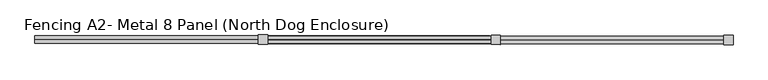
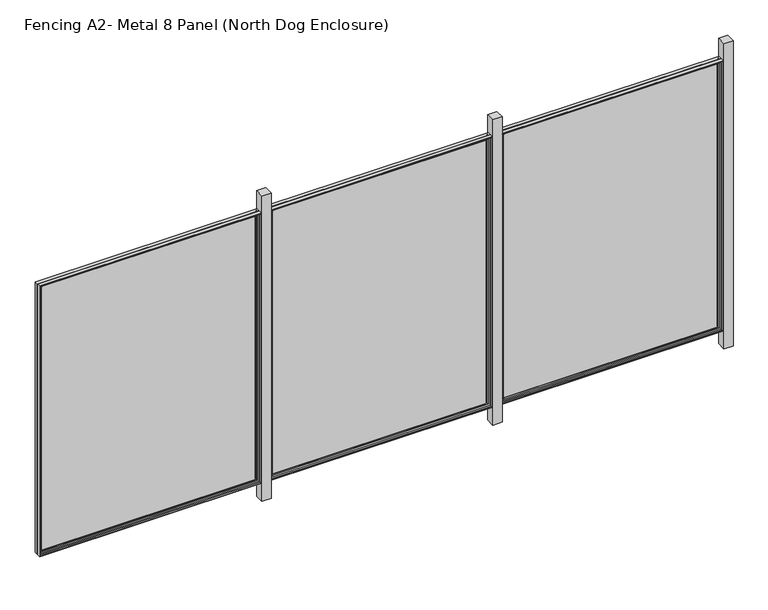
"""IFC4 building model written with IfcOpenShell, lengths in millimetres: railing geometry, Fencing A2- Metal 8 Panel (North Dog Enclosure)."""

from ifc_helpers import new_model, si_unit, frame, origin, place, context, project, spatial, polyline, ellipse_curve, outline, extrude, source, transform, mapped, element, save
from ifc_brep_helpers import plane_surface, cylinder_surface, advanced_brep


def fencing_a2_metal_8_panel_north_dog_enclosure_d438d830(model_context):
    return source(origin(), model_context, "Body", "SolidModel", [
        advanced_brep(
        [(14972.4411531, 2314.4525513, 908.05), (14975.6199197, 2317.6237803, 911.225), (14975.6199197, 2317.6237803, -657.225), (14972.4411531, 2314.4525513, -654.05), (13762.7707741, 2319.0634687, -657.225), (13765.9420031, 2315.8847021, -654.05), (13759.5957764, 2319.0672375, -660.4), (13759.5957764, 2319.0672375, 914.4), (14978.7949174, 2317.6200114, 914.4), (14978.7949174, 2317.6200114, -660.4), (13762.7707741, 2319.0634687, 911.225), (13765.9420031, 2315.8847021, 908.05), (14972.4298466, 2304.927558, -654.05), (13765.9306966, 2306.3597088, -654.05), (14972.4298466, 2304.927558, 908.05), (13765.9306966, 2306.3597088, 908.05), (14962.9048533, 2304.9388645, -644.525), (14962.9048533, 2304.9388645, 898.525), (13775.4556899, 2306.3484024, 898.525), (13775.4556899, 2306.3484024, -644.525), (14959.7260868, 2301.7676355, 895.35), (14959.7260868, 2301.7676355, -641.35), (13778.6269189, 2303.1696358, -641.35), (13778.6269189, 2303.1696358, 895.35), (14959.7223179, 2298.5926378, -641.35), (13778.62315, 2299.994638, -641.35), (14959.7223179, 2298.5926378, 895.35), (13778.62315, 2299.994638, 895.35), (14978.7723045, 2298.5700249, -660.4), (14978.7723045, 2298.5700249, 914.4), (13759.5731635, 2300.017251, 914.4), (13759.5731635, 2300.017251, -660.4)],
        [
            (0, 1, ellipse_curve(frame((14975.6161508, 2314.4487825, 911.225), z_axis=(0.7071062830160321, -0.0008393564505200861, -0.7071067811865475), x_axis=(0.707106283016032, -0.000839356450520086, 0.7071067811865476)), 4.4901281, 3.175)),
            (1, 2),
            (2, 3, ellipse_curve(frame((14975.6161508, 2314.4487825, -657.225), z_axis=(0.7071062830160321, -0.0008393564505200861, 0.7071067811865475), x_axis=(-0.707106283016032, 0.000839356450520086, 0.7071067811865476)), 4.4901281, 3.175)),
            (3, 0),
            (2, 4),
            (4, 5, ellipse_curve(frame((13762.7670053, 2315.888471, -657.225), z_axis=(0.7071062830160321, -0.0008393564505200861, -0.7071067811865475), x_axis=(0.7071062830160322, -0.0008393564505200862, 0.7071067811865474)), 4.4901281, 3.175)),
            (5, 3),
            (6, 7),
            (7, 8),
            (8, 9),
            (9, 6),
            (1, 10),
            (10, 4),
            (10, 11, ellipse_curve(frame((13762.7670053, 2315.888471, 911.225), z_axis=(-0.7071062830160321, 0.0008393564505200861, -0.7071067811865475), x_axis=(0.707106283016032, -0.000839356450520086, -0.7071067811865476)), 4.4901281, 3.175)),
            (11, 5),
            (12, 3),
            (5, 13),
            (13, 12),
            (14, 0),
            (12, 14),
            (11, 15),
            (15, 13),
            (15, 14),
            (16, 17),
            (17, 18),
            (18, 19),
            (19, 16),
            (20, 17, ellipse_curve(frame((14962.9010845, 2301.7638667, 898.525), z_axis=(0.7071062830160321, -0.0008393564505200861, -0.7071067811865475), x_axis=(0.707106283016032, -0.000839356450520086, 0.7071067811865476)), 4.4901281, 3.175)),
            (16, 21, ellipse_curve(frame((14962.9010845, 2301.7638667, -644.525), z_axis=(0.7071062830160321, -0.0008393564505200861, 0.7071067811865475), x_axis=(-0.707106283016032, 0.000839356450520086, 0.7071067811865476)), 4.4901281, 3.175)),
            (21, 20),
            (19, 22, ellipse_curve(frame((13775.4519211, 2303.1734046, -644.525), z_axis=(0.7071062830160321, -0.0008393564505200861, -0.7071067811865475), x_axis=(0.7071062830160322, -0.0008393564505200862, 0.7071067811865474)), 4.4901281, 3.175)),
            (22, 21),
            (18, 23, ellipse_curve(frame((13775.4519211, 2303.1734046, 898.525), z_axis=(-0.7071062830160321, 0.0008393564505200861, -0.7071067811865475), x_axis=(0.707106283016032, -0.000839356450520086, -0.7071067811865476)), 4.4901281, 3.175)),
            (23, 22),
            (24, 21),
            (22, 25),
            (25, 24),
            (26, 20),
            (24, 26),
            (23, 27),
            (27, 25),
            (28, 29),
            (29, 30),
            (30, 31),
            (31, 28),
            (27, 26),
            (8, 29),
            (28, 9),
            (31, 6),
            (30, 7),
            (0, 11),
            (20, 23),
        ],
        [
            cylinder_surface(frame((14975.6161508, 2314.4487825, 914.4), z_axis=(0.0, 0.0, 1.0), x_axis=(0.9999992954805008, -0.0011870292759914025, 0.0)), 3.175),
            cylinder_surface(frame((14978.7911486, 2314.4450137, -657.225), z_axis=(0.9999992954805008, -0.0011870292759908474, 0.0), x_axis=(0.0, 0.0, -1.0)), 3.175),
            plane_surface(frame((14978.7949174, 2317.6200114, 914.4), z_axis=(0.0011870292759914025, 0.9999992954805008, 0.0), x_axis=(0.0, 0.0, -1.0))),
            cylinder_surface(frame((13762.7670053, 2315.888471, -660.4), z_axis=(0.0, 0.0, -1.0), x_axis=(-0.9999992954805008, 0.0011870292759902923, 0.0)), 3.175),
            plane_surface(frame((14972.4411531, 2314.4525513, -654.05), z_axis=(0.0, 0.0, 1.0), x_axis=(-0.9999992954805008, 0.0011870292759908522, 0.0))),
            plane_surface(frame((14972.4411531, 2314.4525513, 908.05), z_axis=(-0.9999992954805008, 0.0011870292759914025, 0.0), x_axis=(0.0, 0.0, -1.0))),
            plane_surface(frame((13765.9420031, 2315.8847021, -654.05), z_axis=(0.9999992954805008, -0.0011870292759902923, 0.0), x_axis=(0.0, 0.0, 1.0))),
            plane_surface(frame((14972.4298466, 2304.927558, 908.05), z_axis=(0.0011870292759914025, 0.9999992954805008, 0.0), x_axis=(0.0, 0.0, -1.0))),
            cylinder_surface(frame((14962.9010845, 2301.7638667, 914.4), z_axis=(0.0, 0.0, 1.0), x_axis=(0.9999992954805008, -0.0011870292759914025, 0.0)), 3.175),
            cylinder_surface(frame((14978.7760733, 2301.7450226, -644.525), z_axis=(0.9999992954805008, -0.0011870292759908474, 0.0), x_axis=(0.0, 0.0, -1.0)), 3.175),
            cylinder_surface(frame((13775.4519211, 2303.1734046, -660.4), z_axis=(0.0, 0.0, -1.0), x_axis=(-0.9999992954805008, 0.0011870292759902923, 0.0)), 3.175),
            plane_surface(frame((14959.7260868, 2301.7676355, -641.35), z_axis=(0.0, 0.0, 1.0), x_axis=(-0.9999992954805008, 0.0011870292759908546, 0.0))),
            plane_surface(frame((14959.7260868, 2301.7676355, 895.35), z_axis=(-0.9999992954805008, 0.0011870292759914025, 0.0), x_axis=(0.0, 0.0, -1.0))),
            plane_surface(frame((13778.6269189, 2303.1696358, -641.35), z_axis=(0.9999992954805008, -0.0011870292759902923, 0.0), x_axis=(0.0, 0.0, 1.0))),
            plane_surface(frame((14959.7223179, 2298.5926378, 895.35), z_axis=(-0.0011870292759914025, -0.9999992954805008, 0.0), x_axis=(0.0, 0.0, -1.0))),
            plane_surface(frame((14978.7723045, 2298.5700249, 914.4), z_axis=(0.9999992954805008, -0.0011870292759914025, 0.0), x_axis=(0.0, 0.0, -1.0))),
            plane_surface(frame((14978.7723045, 2298.5700249, -660.4), z_axis=(0.0, 0.0, -1.0), x_axis=(-0.9999992954805008, 0.0011870292759908474, 0.0))),
            plane_surface(frame((13759.5731635, 2300.017251, -660.4), z_axis=(-0.9999992954805008, 0.0011870292759902923, 0.0), x_axis=(0.0, 0.0, 1.0))),
            cylinder_surface(frame((13759.5920076, 2315.8922398, 911.225), z_axis=(-0.9999992954805008, 0.0011870292759908474, 0.0), x_axis=(0.0, 0.0, 1.0)), 3.175),
            plane_surface(frame((13765.9420031, 2315.8847021, 908.05), z_axis=(0.0, 0.0, -1.0), x_axis=(0.9999992954805008, -0.0011870292759908485, 0.0))),
            cylinder_surface(frame((13759.5769323, 2303.1922487, 898.525), z_axis=(-0.9999992954805008, 0.0011870292759908474, 0.0), x_axis=(0.0, 0.0, 1.0)), 3.175),
            plane_surface(frame((13778.6269189, 2303.1696358, 895.35), z_axis=(0.0, 0.0, -1.0), x_axis=(0.9999992954805008, -0.0011870292759908546, 0.0))),
            plane_surface(frame((13759.5731635, 2300.017251, 914.4), z_axis=(0.0, 0.0, 1.0), x_axis=(0.9999992954805008, -0.0011870292759908474, 0.0))),
        ],
        [
            (0, [[1, 2, 3, 4]]),
            (1, [[-3, 5, 6, 7]]),
            (2, [[8, 9, 10, 11], [-2, 12, 13, -5]]),
            (3, [[-6, -13, 14, 15]]),
            (4, [[16, -7, 17, 18]]),
            (5, [[19, -4, -16, 20]]),
            (6, [[-17, -15, 21, 22]]),
            (7, [[-22, 23, -20, -18], [24, 25, 26, 27]]),
            (8, [[28, -24, 29, 30]]),
            (9, [[-29, -27, 31, 32]]),
            (10, [[-31, -26, 33, 34]]),
            (11, [[35, -32, 36, 37]]),
            (12, [[38, -30, -35, 39]]),
            (13, [[-36, -34, 40, 41]]),
            (14, [[42, 43, 44, 45], [-41, 46, -39, -37]]),
            (15, [[47, -42, 48, -10]]),
            (16, [[-48, -45, 49, -11]]),
            (17, [[-49, -44, 50, -8]]),
            (18, [[-14, -12, -1, 51]]),
            (19, [[-21, -51, -19, -23]]),
            (20, [[-33, -25, -28, 52]]),
            (21, [[-40, -52, -38, -46]]),
            (22, [[-50, -43, -47, -9]]),
        ],
    ),
        advanced_brep(
        [(14978.7685357, 2295.3950271, 914.4), (14978.7459228, 2276.3450405, 914.4), (14978.7459228, 2276.3450405, -660.4), (14978.7685357, 2295.3950271, -660.4), (13759.5467817, 2277.7922666, -660.4), (13759.5693946, 2296.8422532, -660.4), (13759.5467817, 2277.7922666, 914.4), (13762.7217795, 2277.7884978, -657.225), (13762.7217795, 2277.7884978, 911.225), (14975.570925, 2276.3488093, 911.225), (14975.570925, 2276.3488093, -657.225), (13759.5693946, 2296.8422532, 914.4), (14959.7185491, 2295.41764, -641.35), (14959.7185491, 2295.41764, 895.35), (13778.6193812, 2296.8196403, 895.35), (13778.6193812, 2296.8196403, -641.35), (14959.7147803, 2292.2426422, 895.35), (14959.7147803, 2292.2426422, -641.35), (13778.6156124, 2293.6446425, -641.35), (13778.6156124, 2293.6446425, 895.35), (14962.8860092, 2289.0638757, -644.525), (13775.4368458, 2290.4734136, -644.525), (14962.8860092, 2289.0638757, 898.525), (13775.4368458, 2290.4734136, 898.525), (14972.4110025, 2289.0525692, -654.05), (14972.4110025, 2289.0525692, 908.05), (13765.9118525, 2290.48472, 908.05), (13765.9118525, 2290.48472, -654.05), (14972.3996961, 2279.5275759, 908.05), (14972.3996961, 2279.5275759, -654.05), (13765.9005461, 2280.9597267, -654.05), (13765.9005461, 2280.9597267, 908.05)],
        [
            (0, 1),
            (1, 2),
            (2, 3),
            (3, 0),
            (2, 4),
            (4, 5),
            (5, 3),
            (1, 6),
            (6, 4),
            (7, 8),
            (8, 9),
            (9, 10),
            (10, 7),
            (6, 11),
            (11, 5),
            (11, 0),
            (12, 13),
            (13, 14),
            (14, 15),
            (15, 12),
            (16, 13),
            (12, 17),
            (17, 16),
            (15, 18),
            (18, 17),
            (14, 19),
            (19, 18),
            (20, 17, ellipse_curve(frame((14962.8897781, 2292.2388734, -644.525), z_axis=(-0.7071062830160321, 0.0008393564505200861, -0.7071067811865475), x_axis=(0.7071062830160322, -0.0008393564505200862, -0.7071067811865474)), 4.4901281, 3.175)),
            (18, 21, ellipse_curve(frame((13775.4406146, 2293.6484113, -644.525), z_axis=(0.7071062830160321, -0.0008393564505200861, -0.7071067811865475), x_axis=(0.7071062830160322, -0.0008393564505200862, 0.7071067811865474)), 4.4901281, 3.175)),
            (21, 20),
            (22, 16, ellipse_curve(frame((14962.8897781, 2292.2388734, 898.525), z_axis=(0.7071062830160321, -0.0008393564505200861, -0.7071067811865475), x_axis=(0.707106283016032, -0.000839356450520086, 0.7071067811865476)), 4.4901281, 3.175)),
            (20, 22),
            (19, 23, ellipse_curve(frame((13775.4406146, 2293.6484113, 898.525), z_axis=(-0.7071062830160321, 0.0008393564505200861, -0.7071067811865475), x_axis=(0.707106283016032, -0.000839356450520086, -0.7071067811865476)), 4.4901281, 3.175)),
            (23, 21),
            (24, 25),
            (25, 26),
            (26, 27),
            (27, 24),
            (23, 22),
            (28, 25),
            (24, 29),
            (29, 28),
            (27, 30),
            (30, 29),
            (26, 31),
            (31, 30),
            (10, 29, ellipse_curve(frame((14975.5746938, 2279.5238071, -657.225), z_axis=(-0.7071062830160321, 0.0008393564505200861, -0.7071067811865475), x_axis=(0.7071062830160322, -0.0008393564505200862, -0.7071067811865474)), 4.4901281, 3.175)),
            (30, 7, ellipse_curve(frame((13762.7255483, 2280.9634956, -657.225), z_axis=(0.7071062830160321, -0.0008393564505200861, -0.7071067811865475), x_axis=(0.7071062830160322, -0.0008393564505200862, 0.7071067811865474)), 4.4901281, 3.175)),
            (9, 28, ellipse_curve(frame((14975.5746938, 2279.5238071, 911.225), z_axis=(0.7071062830160321, -0.0008393564505200861, -0.7071067811865475), x_axis=(0.707106283016032, -0.000839356450520086, 0.7071067811865476)), 4.4901281, 3.175)),
            (31, 8, ellipse_curve(frame((13762.7255483, 2280.9634956, 911.225), z_axis=(-0.7071062830160321, 0.0008393564505200861, -0.7071067811865475), x_axis=(0.707106283016032, -0.000839356450520086, -0.7071067811865476)), 4.4901281, 3.175)),
            (16, 19),
            (28, 31),
        ],
        [
            plane_surface(frame((14978.7459228, 2276.3450405, 914.4), z_axis=(0.9999992954805008, -0.0011870292759914025, 0.0), x_axis=(0.0, 0.0, -1.0))),
            plane_surface(frame((14978.7459228, 2276.3450405, -660.4), z_axis=(0.0, 0.0, -1.0), x_axis=(-0.9999992954805008, 0.0011870292759908474, 0.0))),
            plane_surface(frame((14975.570925, 2276.3488093, 911.225), z_axis=(-0.0011870292759914025, -0.9999992954805008, 0.0), x_axis=(0.0, 0.0, -1.0))),
            plane_surface(frame((13759.5467817, 2277.7922666, -660.4), z_axis=(-0.9999992954805008, 0.0011870292759902923, 0.0), x_axis=(0.0, 0.0, 1.0))),
            plane_surface(frame((14978.7685357, 2295.3950271, 914.4), z_axis=(0.0011870292759914025, 0.9999992954805008, 0.0), x_axis=(0.0, 0.0, -1.0))),
            plane_surface(frame((14959.7185491, 2295.41764, 895.35), z_axis=(-0.9999992954805008, 0.0011870292759914025, 0.0), x_axis=(0.0, 0.0, -1.0))),
            plane_surface(frame((14959.7185491, 2295.41764, -641.35), z_axis=(0.0, 0.0, 1.0), x_axis=(-0.9999992954805008, 0.0011870292759908546, 0.0))),
            plane_surface(frame((13778.6193812, 2296.8196403, -641.35), z_axis=(0.9999992954805008, -0.0011870292759902923, 0.0), x_axis=(0.0, 0.0, 1.0))),
            cylinder_surface(frame((14978.7647669, 2292.2200293, -644.525), z_axis=(0.9999992954805008, -0.0011870292759908474, 0.0), x_axis=(0.0, 0.0, -1.0)), 3.175),
            cylinder_surface(frame((14962.8897781, 2292.2388734, 914.4), z_axis=(0.0, 0.0, 1.0), x_axis=(0.9999992954805008, -0.0011870292759914025, 0.0)), 3.175),
            cylinder_surface(frame((13775.4406146, 2293.6484113, -660.4), z_axis=(0.0, 0.0, -1.0), x_axis=(-0.9999992954805008, 0.0011870292759902923, 0.0)), 3.175),
            plane_surface(frame((14962.8860092, 2289.0638757, 898.525), z_axis=(-0.0011870292759914025, -0.9999992954805008, 0.0), x_axis=(0.0, 0.0, -1.0))),
            plane_surface(frame((14972.4110025, 2289.0525692, 908.05), z_axis=(-0.9999992954805008, 0.0011870292759914025, 0.0), x_axis=(0.0, 0.0, -1.0))),
            plane_surface(frame((14972.4110025, 2289.0525692, -654.05), z_axis=(0.0, 0.0, 1.0), x_axis=(-0.9999992954805008, 0.0011870292759908485, 0.0))),
            plane_surface(frame((13765.9118525, 2290.48472, -654.05), z_axis=(0.9999992954805008, -0.0011870292759902923, 0.0), x_axis=(0.0, 0.0, 1.0))),
            cylinder_surface(frame((14978.7496916, 2279.5200383, -657.225), z_axis=(0.9999992954805008, -0.0011870292759908474, 0.0), x_axis=(0.0, 0.0, -1.0)), 3.175),
            cylinder_surface(frame((14975.5746938, 2279.5238071, 914.4), z_axis=(0.0, 0.0, 1.0), x_axis=(0.9999992954805008, -0.0011870292759914025, 0.0)), 3.175),
            cylinder_surface(frame((13762.7255483, 2280.9634956, -660.4), z_axis=(0.0, 0.0, -1.0), x_axis=(-0.9999992954805008, 0.0011870292759902923, 0.0)), 3.175),
            plane_surface(frame((13759.5467817, 2277.7922666, 914.4), z_axis=(0.0, 0.0, 1.0), x_axis=(0.9999992954805008, -0.0011870292759908474, 0.0))),
            plane_surface(frame((13778.6193812, 2296.8196403, 895.35), z_axis=(0.0, 0.0, -1.0), x_axis=(0.9999992954805008, -0.0011870292759908546, 0.0))),
            cylinder_surface(frame((13759.5656258, 2293.6672554, 898.525), z_axis=(-0.9999992954805008, 0.0011870292759908474, 0.0), x_axis=(0.0, 0.0, 1.0)), 3.175),
            plane_surface(frame((13765.9118525, 2290.48472, 908.05), z_axis=(0.0, 0.0, -1.0), x_axis=(0.9999992954805008, -0.0011870292759908485, 0.0))),
            cylinder_surface(frame((13759.5505506, 2280.9672644, 911.225), z_axis=(-0.9999992954805008, 0.0011870292759908474, 0.0), x_axis=(0.0, 0.0, 1.0)), 3.175),
        ],
        [
            (0, [[1, 2, 3, 4]]),
            (1, [[-3, 5, 6, 7]]),
            (2, [[-2, 8, 9, -5], [10, 11, 12, 13]]),
            (3, [[-6, -9, 14, 15]]),
            (4, [[-15, 16, -4, -7], [17, 18, 19, 20]]),
            (5, [[21, -17, 22, 23]]),
            (6, [[-22, -20, 24, 25]]),
            (7, [[-24, -19, 26, 27]]),
            (8, [[28, -25, 29, 30]]),
            (9, [[31, -23, -28, 32]]),
            (10, [[-29, -27, 33, 34]]),
            (11, [[35, 36, 37, 38], [-34, 39, -32, -30]]),
            (12, [[40, -35, 41, 42]]),
            (13, [[-41, -38, 43, 44]]),
            (14, [[-43, -37, 45, 46]]),
            (15, [[47, -44, 48, -13]]),
            (16, [[49, -42, -47, -12]]),
            (17, [[-48, -46, 50, -10]]),
            (18, [[-14, -8, -1, -16]]),
            (19, [[-26, -18, -21, 51]]),
            (20, [[-33, -51, -31, -39]]),
            (21, [[-45, -36, -40, 52]]),
            (22, [[-50, -52, -49, -11]]),
        ],
    ),
        extrude(outline(polyline([(14978.7685357, 2295.3950271), (13759.5693946, 2296.8422532), (13759.5731635, 2300.017251), (14978.7723045, 2298.5700249), (14978.7685357, 2295.3950271)])), frame((0.0, 0.0, -660.4), z_axis=(0.0, 0.0, 1.0), x_axis=(1.0, 0.0, 0.0)), (0.0, 0.0, 1.0), 1574.8),
        extrude(outline(polyline([(15029.6005349, 2322.322207), (15029.5402338, 2271.5222428), (14978.7402696, 2271.5825439), (14978.8005706, 2322.3825081), (15029.6005349, 2322.322207)])), frame((0.0, 0.0, -762.0), z_axis=(0.0, 0.0, 1.0), x_axis=(1.0, 0.0, 0.0)), (0.0, 0.0, 1.0), 1778.0),
        advanced_brep(
        [(16242.4402583, 2312.9450241, 908.05), (16245.6190249, 2316.1162531, 911.225), (16245.6190249, 2316.1162531, -657.225), (16242.4402583, 2312.9450241, -654.05), (15032.7698794, 2317.5559415, -657.225), (15035.9411083, 2314.377175, -654.05), (15029.5948816, 2317.5597104, -660.4), (15029.5948816, 2317.5597104, 914.4), (16248.7940227, 2316.1124843, 914.4), (16248.7940227, 2316.1124843, -660.4), (15032.7698794, 2317.5559415, 911.225), (15035.9411083, 2314.377175, 908.05), (16242.4289519, 2303.4200308, -654.05), (15035.9298019, 2304.8521817, -654.05), (16242.4289519, 2303.4200308, 908.05), (15035.9298019, 2304.8521817, 908.05), (16232.9039586, 2303.4313373, -644.525), (16232.9039586, 2303.4313373, 898.525), (15045.4547952, 2304.8408752, 898.525), (15045.4547952, 2304.8408752, -644.525), (16229.725192, 2300.2601084, 895.35), (16229.725192, 2300.2601084, -641.35), (15048.6260241, 2301.6621086, -641.35), (15048.6260241, 2301.6621086, 895.35), (16229.7214232, 2297.0851106, -641.35), (15048.6222553, 2298.4871109, -641.35), (16229.7214232, 2297.0851106, 895.35), (15048.6222553, 2298.4871109, 895.35), (16248.7714098, 2297.0624977, -660.4), (16248.7714098, 2297.0624977, 914.4), (15029.5722687, 2298.5097238, 914.4), (15029.5722687, 2298.5097238, -660.4)],
        [
            (0, 1, ellipse_curve(frame((16245.6152561, 2312.9412553, 911.225), z_axis=(0.7071062830160321, -0.0008393564505200861, -0.7071067811865475), x_axis=(0.707106283016032, -0.000839356450520086, 0.7071067811865476)), 4.4901281, 3.175)),
            (1, 2),
            (2, 3, ellipse_curve(frame((16245.6152561, 2312.9412553, -657.225), z_axis=(0.7071062830160321, -0.0008393564505200861, 0.7071067811865475), x_axis=(-0.707106283016032, 0.000839356450520086, 0.7071067811865476)), 4.4901281, 3.175)),
            (3, 0),
            (2, 4),
            (4, 5, ellipse_curve(frame((15032.7661106, 2314.3809438, -657.225), z_axis=(0.7071062830160321, -0.0008393564505200861, -0.7071067811865475), x_axis=(0.7071062830160322, -0.0008393564505200862, 0.7071067811865474)), 4.4901281, 3.175)),
            (5, 3),
            (6, 7),
            (7, 8),
            (8, 9),
            (9, 6),
            (1, 10),
            (10, 4),
            (10, 11, ellipse_curve(frame((15032.7661106, 2314.3809438, 911.225), z_axis=(-0.7071062830160321, 0.0008393564505200861, -0.7071067811865475), x_axis=(0.707106283016032, -0.000839356450520086, -0.7071067811865476)), 4.4901281, 3.175)),
            (11, 5),
            (12, 3),
            (5, 13),
            (13, 12),
            (14, 0),
            (12, 14),
            (11, 15),
            (15, 13),
            (15, 14),
            (16, 17),
            (17, 18),
            (18, 19),
            (19, 16),
            (20, 17, ellipse_curve(frame((16232.9001898, 2300.2563395, 898.525), z_axis=(0.7071062830160321, -0.0008393564505200861, -0.7071067811865475), x_axis=(0.707106283016032, -0.000839356450520086, 0.7071067811865476)), 4.4901281, 3.175)),
            (16, 21, ellipse_curve(frame((16232.9001898, 2300.2563395, -644.525), z_axis=(0.7071062830160321, -0.0008393564505200861, 0.7071067811865475), x_axis=(-0.707106283016032, 0.000839356450520086, 0.7071067811865476)), 4.4901281, 3.175)),
            (21, 20),
            (19, 22, ellipse_curve(frame((15045.4510264, 2301.6658774, -644.525), z_axis=(0.7071062830160321, -0.0008393564505200861, -0.7071067811865475), x_axis=(0.7071062830160322, -0.0008393564505200862, 0.7071067811865474)), 4.4901281, 3.175)),
            (22, 21),
            (18, 23, ellipse_curve(frame((15045.4510264, 2301.6658774, 898.525), z_axis=(-0.7071062830160321, 0.0008393564505200861, -0.7071067811865475), x_axis=(0.707106283016032, -0.000839356450520086, -0.7071067811865476)), 4.4901281, 3.175)),
            (23, 22),
            (24, 21),
            (22, 25),
            (25, 24),
            (26, 20),
            (24, 26),
            (23, 27),
            (27, 25),
            (28, 29),
            (29, 30),
            (30, 31),
            (31, 28),
            (27, 26),
            (8, 29),
            (28, 9),
            (31, 6),
            (30, 7),
            (0, 11),
            (20, 23),
        ],
        [
            cylinder_surface(frame((16245.6152561, 2312.9412553, 914.4), z_axis=(0.0, 0.0, 1.0), x_axis=(0.9999992954805008, -0.0011870292759914025, 0.0)), 3.175),
            cylinder_surface(frame((16248.7902539, 2312.9374865, -657.225), z_axis=(0.9999992954805008, -0.0011870292759908474, 0.0), x_axis=(0.0, 0.0, -1.0)), 3.175),
            plane_surface(frame((16248.7940227, 2316.1124843, 914.4), z_axis=(0.0011870292759914025, 0.9999992954805008, 0.0), x_axis=(0.0, 0.0, -1.0))),
            cylinder_surface(frame((15032.7661106, 2314.3809438, -660.4), z_axis=(0.0, 0.0, -1.0), x_axis=(-0.9999992954805008, 0.0011870292759902923, 0.0)), 3.175),
            plane_surface(frame((16242.4402583, 2312.9450241, -654.05), z_axis=(0.0, 0.0, 1.0), x_axis=(-0.9999992954805008, 0.0011870292759908522, 0.0))),
            plane_surface(frame((16242.4402583, 2312.9450241, 908.05), z_axis=(-0.9999992954805008, 0.0011870292759914025, 0.0), x_axis=(0.0, 0.0, -1.0))),
            plane_surface(frame((15035.9411083, 2314.377175, -654.05), z_axis=(0.9999992954805008, -0.0011870292759902923, 0.0), x_axis=(0.0, 0.0, 1.0))),
            plane_surface(frame((16242.4289519, 2303.4200308, 908.05), z_axis=(0.0011870292759914025, 0.9999992954805008, 0.0), x_axis=(0.0, 0.0, -1.0))),
            cylinder_surface(frame((16232.9001898, 2300.2563395, 914.4), z_axis=(0.0, 0.0, 1.0), x_axis=(0.9999992954805008, -0.0011870292759914025, 0.0)), 3.175),
            cylinder_surface(frame((16248.7751786, 2300.2374954, -644.525), z_axis=(0.9999992954805008, -0.0011870292759908474, 0.0), x_axis=(0.0, 0.0, -1.0)), 3.175),
            cylinder_surface(frame((15045.4510264, 2301.6658774, -660.4), z_axis=(0.0, 0.0, -1.0), x_axis=(-0.9999992954805008, 0.0011870292759902923, 0.0)), 3.175),
            plane_surface(frame((16229.725192, 2300.2601084, -641.35), z_axis=(0.0, 0.0, 1.0), x_axis=(-0.9999992954805008, 0.0011870292759908546, 0.0))),
            plane_surface(frame((16229.725192, 2300.2601084, 895.35), z_axis=(-0.9999992954805008, 0.0011870292759914025, 0.0), x_axis=(0.0, 0.0, -1.0))),
            plane_surface(frame((15048.6260241, 2301.6621086, -641.35), z_axis=(0.9999992954805008, -0.0011870292759902923, 0.0), x_axis=(0.0, 0.0, 1.0))),
            plane_surface(frame((16229.7214232, 2297.0851106, 895.35), z_axis=(-0.0011870292759914025, -0.9999992954805008, 0.0), x_axis=(0.0, 0.0, -1.0))),
            plane_surface(frame((16248.7714098, 2297.0624977, 914.4), z_axis=(0.9999992954805008, -0.0011870292759914025, 0.0), x_axis=(0.0, 0.0, -1.0))),
            plane_surface(frame((16248.7714098, 2297.0624977, -660.4), z_axis=(0.0, 0.0, -1.0), x_axis=(-0.9999992954805008, 0.0011870292759908474, 0.0))),
            plane_surface(frame((15029.5722687, 2298.5097238, -660.4), z_axis=(-0.9999992954805008, 0.0011870292759902923, 0.0), x_axis=(0.0, 0.0, 1.0))),
            cylinder_surface(frame((15029.5911128, 2314.3847126, 911.225), z_axis=(-0.9999992954805008, 0.0011870292759908474, 0.0), x_axis=(0.0, 0.0, 1.0)), 3.175),
            plane_surface(frame((15035.9411083, 2314.377175, 908.05), z_axis=(0.0, 0.0, -1.0), x_axis=(0.9999992954805008, -0.0011870292759908485, 0.0))),
            cylinder_surface(frame((15029.5760375, 2301.6847215, 898.525), z_axis=(-0.9999992954805008, 0.0011870292759908474, 0.0), x_axis=(0.0, 0.0, 1.0)), 3.175),
            plane_surface(frame((15048.6260241, 2301.6621086, 895.35), z_axis=(0.0, 0.0, -1.0), x_axis=(0.9999992954805008, -0.0011870292759908546, 0.0))),
            plane_surface(frame((15029.5722687, 2298.5097238, 914.4), z_axis=(0.0, 0.0, 1.0), x_axis=(0.9999992954805008, -0.0011870292759908474, 0.0))),
        ],
        [
            (0, [[1, 2, 3, 4]]),
            (1, [[-3, 5, 6, 7]]),
            (2, [[8, 9, 10, 11], [-2, 12, 13, -5]]),
            (3, [[-6, -13, 14, 15]]),
            (4, [[16, -7, 17, 18]]),
            (5, [[19, -4, -16, 20]]),
            (6, [[-17, -15, 21, 22]]),
            (7, [[-22, 23, -20, -18], [24, 25, 26, 27]]),
            (8, [[28, -24, 29, 30]]),
            (9, [[-29, -27, 31, 32]]),
            (10, [[-31, -26, 33, 34]]),
            (11, [[35, -32, 36, 37]]),
            (12, [[38, -30, -35, 39]]),
            (13, [[-36, -34, 40, 41]]),
            (14, [[42, 43, 44, 45], [-41, 46, -39, -37]]),
            (15, [[47, -42, 48, -10]]),
            (16, [[-48, -45, 49, -11]]),
            (17, [[-49, -44, 50, -8]]),
            (18, [[-14, -12, -1, 51]]),
            (19, [[-21, -51, -19, -23]]),
            (20, [[-33, -25, -28, 52]]),
            (21, [[-40, -52, -38, -46]]),
            (22, [[-50, -43, -47, -9]]),
        ],
    ),
        advanced_brep(
        [(16248.767641, 2293.8874999, 914.4), (16248.745028, 2274.8375133, 914.4), (16248.745028, 2274.8375133, -660.4), (16248.767641, 2293.8874999, -660.4), (15029.545887, 2276.2847394, -660.4), (15029.5684999, 2295.334726, -660.4), (15029.545887, 2276.2847394, 914.4), (15032.7208848, 2276.2809706, -657.225), (15032.7208848, 2276.2809706, 911.225), (16245.5700303, 2274.8412822, 911.225), (16245.5700303, 2274.8412822, -657.225), (15029.5684999, 2295.334726, 914.4), (16229.7176544, 2293.9101128, -641.35), (16229.7176544, 2293.9101128, 895.35), (15048.6184865, 2295.3121131, 895.35), (15048.6184865, 2295.3121131, -641.35), (16229.7138856, 2290.7351151, 895.35), (16229.7138856, 2290.7351151, -641.35), (15048.6147177, 2292.1371153, -641.35), (15048.6147177, 2292.1371153, 895.35), (16232.8851145, 2287.5563485, -644.525), (15045.4359511, 2288.9658864, -644.525), (16232.8851145, 2287.5563485, 898.525), (15045.4359511, 2288.9658864, 898.525), (16242.4101078, 2287.545042, -654.05), (16242.4101078, 2287.545042, 908.05), (15035.9109578, 2288.9771929, 908.05), (15035.9109578, 2288.9771929, -654.05), (16242.3988013, 2278.0200487, 908.05), (16242.3988013, 2278.0200487, -654.05), (15035.8996513, 2279.4521996, -654.05), (15035.8996513, 2279.4521996, 908.05)],
        [
            (0, 1),
            (1, 2),
            (2, 3),
            (3, 0),
            (2, 4),
            (4, 5),
            (5, 3),
            (1, 6),
            (6, 4),
            (7, 8),
            (8, 9),
            (9, 10),
            (10, 7),
            (6, 11),
            (11, 5),
            (11, 0),
            (12, 13),
            (13, 14),
            (14, 15),
            (15, 12),
            (16, 13),
            (12, 17),
            (17, 16),
            (15, 18),
            (18, 17),
            (14, 19),
            (19, 18),
            (20, 17, ellipse_curve(frame((16232.8888833, 2290.7313462, -644.525), z_axis=(-0.7071062830160321, 0.0008393564505200861, -0.7071067811865475), x_axis=(0.7071062830160322, -0.0008393564505200862, -0.7071067811865474)), 4.4901281, 3.175)),
            (18, 21, ellipse_curve(frame((15045.4397199, 2292.1408842, -644.525), z_axis=(0.7071062830160321, -0.0008393564505200861, -0.7071067811865475), x_axis=(0.7071062830160322, -0.0008393564505200862, 0.7071067811865474)), 4.4901281, 3.175)),
            (21, 20),
            (22, 16, ellipse_curve(frame((16232.8888833, 2290.7313462, 898.525), z_axis=(0.7071062830160321, -0.0008393564505200861, -0.7071067811865475), x_axis=(0.707106283016032, -0.000839356450520086, 0.7071067811865476)), 4.4901281, 3.175)),
            (20, 22),
            (19, 23, ellipse_curve(frame((15045.4397199, 2292.1408842, 898.525), z_axis=(-0.7071062830160321, 0.0008393564505200861, -0.7071067811865475), x_axis=(0.707106283016032, -0.000839356450520086, -0.7071067811865476)), 4.4901281, 3.175)),
            (23, 21),
            (24, 25),
            (25, 26),
            (26, 27),
            (27, 24),
            (23, 22),
            (28, 25),
            (24, 29),
            (29, 28),
            (27, 30),
            (30, 29),
            (26, 31),
            (31, 30),
            (10, 29, ellipse_curve(frame((16245.5737991, 2278.0162799, -657.225), z_axis=(-0.7071062830160321, 0.0008393564505200861, -0.7071067811865475), x_axis=(0.7071062830160322, -0.0008393564505200862, -0.7071067811865474)), 4.4901281, 3.175)),
            (30, 7, ellipse_curve(frame((15032.7246536, 2279.4559684, -657.225), z_axis=(0.7071062830160321, -0.0008393564505200861, -0.7071067811865475), x_axis=(0.7071062830160322, -0.0008393564505200862, 0.7071067811865474)), 4.4901281, 3.175)),
            (9, 28, ellipse_curve(frame((16245.5737991, 2278.0162799, 911.225), z_axis=(0.7071062830160321, -0.0008393564505200861, -0.7071067811865475), x_axis=(0.707106283016032, -0.000839356450520086, 0.7071067811865476)), 4.4901281, 3.175)),
            (31, 8, ellipse_curve(frame((15032.7246536, 2279.4559684, 911.225), z_axis=(-0.7071062830160321, 0.0008393564505200861, -0.7071067811865475), x_axis=(0.707106283016032, -0.000839356450520086, -0.7071067811865476)), 4.4901281, 3.175)),
            (16, 19),
            (28, 31),
        ],
        [
            plane_surface(frame((16248.745028, 2274.8375133, 914.4), z_axis=(0.9999992954805008, -0.0011870292759914025, 0.0), x_axis=(0.0, 0.0, -1.0))),
            plane_surface(frame((16248.745028, 2274.8375133, -660.4), z_axis=(0.0, 0.0, -1.0), x_axis=(-0.9999992954805008, 0.0011870292759908474, 0.0))),
            plane_surface(frame((16245.5700303, 2274.8412822, 911.225), z_axis=(-0.0011870292759914025, -0.9999992954805008, 0.0), x_axis=(0.0, 0.0, -1.0))),
            plane_surface(frame((15029.545887, 2276.2847394, -660.4), z_axis=(-0.9999992954805008, 0.0011870292759902923, 0.0), x_axis=(0.0, 0.0, 1.0))),
            plane_surface(frame((16248.767641, 2293.8874999, 914.4), z_axis=(0.0011870292759914025, 0.9999992954805008, 0.0), x_axis=(0.0, 0.0, -1.0))),
            plane_surface(frame((16229.7176544, 2293.9101128, 895.35), z_axis=(-0.9999992954805008, 0.0011870292759914025, 0.0), x_axis=(0.0, 0.0, -1.0))),
            plane_surface(frame((16229.7176544, 2293.9101128, -641.35), z_axis=(0.0, 0.0, 1.0), x_axis=(-0.9999992954805008, 0.0011870292759908546, 0.0))),
            plane_surface(frame((15048.6184865, 2295.3121131, -641.35), z_axis=(0.9999992954805008, -0.0011870292759902923, 0.0), x_axis=(0.0, 0.0, 1.0))),
            cylinder_surface(frame((16248.7638721, 2290.7125022, -644.525), z_axis=(0.9999992954805008, -0.0011870292759908474, 0.0), x_axis=(0.0, 0.0, -1.0)), 3.175),
            cylinder_surface(frame((16232.8888833, 2290.7313462, 914.4), z_axis=(0.0, 0.0, 1.0), x_axis=(0.9999992954805008, -0.0011870292759914025, 0.0)), 3.175),
            cylinder_surface(frame((15045.4397199, 2292.1408842, -660.4), z_axis=(0.0, 0.0, -1.0), x_axis=(-0.9999992954805008, 0.0011870292759902923, 0.0)), 3.175),
            plane_surface(frame((16232.8851145, 2287.5563485, 898.525), z_axis=(-0.0011870292759914025, -0.9999992954805008, 0.0), x_axis=(0.0, 0.0, -1.0))),
            plane_surface(frame((16242.4101078, 2287.545042, 908.05), z_axis=(-0.9999992954805008, 0.0011870292759914025, 0.0), x_axis=(0.0, 0.0, -1.0))),
            plane_surface(frame((16242.4101078, 2287.545042, -654.05), z_axis=(0.0, 0.0, 1.0), x_axis=(-0.9999992954805008, 0.0011870292759908485, 0.0))),
            plane_surface(frame((15035.9109578, 2288.9771929, -654.05), z_axis=(0.9999992954805008, -0.0011870292759902923, 0.0), x_axis=(0.0, 0.0, 1.0))),
            cylinder_surface(frame((16248.7487969, 2278.0125111, -657.225), z_axis=(0.9999992954805008, -0.0011870292759908474, 0.0), x_axis=(0.0, 0.0, -1.0)), 3.175),
            cylinder_surface(frame((16245.5737991, 2278.0162799, 914.4), z_axis=(0.0, 0.0, 1.0), x_axis=(0.9999992954805008, -0.0011870292759914025, 0.0)), 3.175),
            cylinder_surface(frame((15032.7246536, 2279.4559684, -660.4), z_axis=(0.0, 0.0, -1.0), x_axis=(-0.9999992954805008, 0.0011870292759902923, 0.0)), 3.175),
            plane_surface(frame((15029.545887, 2276.2847394, 914.4), z_axis=(0.0, 0.0, 1.0), x_axis=(0.9999992954805008, -0.0011870292759908474, 0.0))),
            plane_surface(frame((15048.6184865, 2295.3121131, 895.35), z_axis=(0.0, 0.0, -1.0), x_axis=(0.9999992954805008, -0.0011870292759908546, 0.0))),
            cylinder_surface(frame((15029.5647311, 2292.1597282, 898.525), z_axis=(-0.9999992954805008, 0.0011870292759908474, 0.0), x_axis=(0.0, 0.0, 1.0)), 3.175),
            plane_surface(frame((15035.9109578, 2288.9771929, 908.05), z_axis=(0.0, 0.0, -1.0), x_axis=(0.9999992954805008, -0.0011870292759908485, 0.0))),
            cylinder_surface(frame((15029.5496558, 2279.4597372, 911.225), z_axis=(-0.9999992954805008, 0.0011870292759908474, 0.0), x_axis=(0.0, 0.0, 1.0)), 3.175),
        ],
        [
            (0, [[1, 2, 3, 4]]),
            (1, [[-3, 5, 6, 7]]),
            (2, [[-2, 8, 9, -5], [10, 11, 12, 13]]),
            (3, [[-6, -9, 14, 15]]),
            (4, [[-15, 16, -4, -7], [17, 18, 19, 20]]),
            (5, [[21, -17, 22, 23]]),
            (6, [[-22, -20, 24, 25]]),
            (7, [[-24, -19, 26, 27]]),
            (8, [[28, -25, 29, 30]]),
            (9, [[31, -23, -28, 32]]),
            (10, [[-29, -27, 33, 34]]),
            (11, [[35, 36, 37, 38], [-34, 39, -32, -30]]),
            (12, [[40, -35, 41, 42]]),
            (13, [[-41, -38, 43, 44]]),
            (14, [[-43, -37, 45, 46]]),
            (15, [[47, -44, 48, -13]]),
            (16, [[49, -42, -47, -12]]),
            (17, [[-48, -46, 50, -10]]),
            (18, [[-14, -8, -1, -16]]),
            (19, [[-26, -18, -21, 51]]),
            (20, [[-33, -51, -31, -39]]),
            (21, [[-45, -36, -40, 52]]),
            (22, [[-50, -52, -49, -11]]),
        ],
    ),
        extrude(outline(polyline([(16248.767641, 2293.8874999), (15029.5684999, 2295.334726), (15029.5722687, 2298.5097238), (16248.7714098, 2297.0624977), (16248.767641, 2293.8874999)])), frame((0.0, 0.0, -660.4), z_axis=(0.0, 0.0, 1.0), x_axis=(1.0, 0.0, 0.0)), (0.0, 0.0, 1.0), 1574.8),
        extrude(outline(polyline([(16299.5996401, 2320.8146798), (16299.539339, 2270.0147156), (16248.7393748, 2270.0750167), (16248.7996759, 2320.8749809), (16299.5996401, 2320.8146798)])), frame((0.0, 0.0, -762.0), z_axis=(0.0, 0.0, 1.0), x_axis=(1.0, 0.0, 0.0)), (0.0, 0.0, 1.0), 1778.0),
        advanced_brep(
        [(17512.4393636, 2311.437497, 908.05), (17515.6181302, 2314.6087259, 911.225), (17515.6181302, 2314.6087259, -657.225), (17512.4393636, 2311.437497, -654.05), (16302.7689847, 2316.0484144, -657.225), (16305.9402136, 2312.8696478, -654.05), (16299.5939869, 2316.0521832, -660.4), (16299.5939869, 2316.0521832, 914.4), (17518.7931279, 2314.6049571, 914.4), (17518.7931279, 2314.6049571, -660.4), (16302.7689847, 2316.0484144, 911.225), (16305.9402136, 2312.8696478, 908.05), (17512.4280571, 2301.9125037, -654.05), (16305.9289071, 2303.3446545, -654.05), (17512.4280571, 2301.9125037, 908.05), (16305.9289071, 2303.3446545, 908.05), (17502.9030639, 2301.9238101, -644.525), (17502.9030639, 2301.9238101, 898.525), (16315.4539004, 2303.333348, 898.525), (16315.4539004, 2303.333348, -644.525), (17499.7242973, 2298.7525812, 895.35), (17499.7242973, 2298.7525812, -641.35), (16318.6251294, 2300.1545815, -641.35), (16318.6251294, 2300.1545815, 895.35), (17499.7205285, 2295.5775834, -641.35), (16318.6213606, 2296.9795837, -641.35), (17499.7205285, 2295.5775834, 895.35), (16318.6213606, 2296.9795837, 895.35), (17518.770515, 2295.5549705, -660.4), (17518.770515, 2295.5549705, 914.4), (16299.571374, 2297.0021966, 914.4), (16299.571374, 2297.0021966, -660.4)],
        [
            (0, 1, ellipse_curve(frame((17515.6143614, 2311.4337281, 911.225), z_axis=(0.7071062830160321, -0.0008393564505200861, -0.7071067811865475), x_axis=(0.707106283016032, -0.000839356450520086, 0.7071067811865476)), 4.4901281, 3.175)),
            (1, 2),
            (2, 3, ellipse_curve(frame((17515.6143614, 2311.4337281, -657.225), z_axis=(0.7071062830160321, -0.0008393564505200861, 0.7071067811865475), x_axis=(-0.707106283016032, 0.000839356450520086, 0.7071067811865476)), 4.4901281, 3.175)),
            (3, 0),
            (2, 4),
            (4, 5, ellipse_curve(frame((16302.7652158, 2312.8734166, -657.225), z_axis=(0.7071062830160321, -0.0008393564505200861, -0.7071067811865475), x_axis=(0.7071062830160322, -0.0008393564505200862, 0.7071067811865474)), 4.4901281, 3.175)),
            (5, 3),
            (6, 7),
            (7, 8),
            (8, 9),
            (9, 6),
            (1, 10),
            (10, 4),
            (10, 11, ellipse_curve(frame((16302.7652158, 2312.8734166, 911.225), z_axis=(-0.7071062830160321, 0.0008393564505200861, -0.7071067811865475), x_axis=(0.707106283016032, -0.000839356450520086, -0.7071067811865476)), 4.4901281, 3.175)),
            (11, 5),
            (12, 3),
            (5, 13),
            (13, 12),
            (14, 0),
            (12, 14),
            (11, 15),
            (15, 13),
            (15, 14),
            (16, 17),
            (17, 18),
            (18, 19),
            (19, 16),
            (20, 17, ellipse_curve(frame((17502.899295, 2298.7488124, 898.525), z_axis=(0.7071062830160321, -0.0008393564505200861, -0.7071067811865475), x_axis=(0.707106283016032, -0.000839356450520086, 0.7071067811865476)), 4.4901281, 3.175)),
            (16, 21, ellipse_curve(frame((17502.899295, 2298.7488124, -644.525), z_axis=(0.7071062830160321, -0.0008393564505200861, 0.7071067811865475), x_axis=(-0.707106283016032, 0.000839356450520086, 0.7071067811865476)), 4.4901281, 3.175)),
            (21, 20),
            (19, 22, ellipse_curve(frame((16315.4501316, 2300.1583503, -644.525), z_axis=(0.7071062830160321, -0.0008393564505200861, -0.7071067811865475), x_axis=(0.7071062830160322, -0.0008393564505200862, 0.7071067811865474)), 4.4901281, 3.175)),
            (22, 21),
            (18, 23, ellipse_curve(frame((16315.4501316, 2300.1583503, 898.525), z_axis=(-0.7071062830160321, 0.0008393564505200861, -0.7071067811865475), x_axis=(0.707106283016032, -0.000839356450520086, -0.7071067811865476)), 4.4901281, 3.175)),
            (23, 22),
            (24, 21),
            (22, 25),
            (25, 24),
            (26, 20),
            (24, 26),
            (23, 27),
            (27, 25),
            (28, 29),
            (29, 30),
            (30, 31),
            (31, 28),
            (27, 26),
            (8, 29),
            (28, 9),
            (31, 6),
            (30, 7),
            (0, 11),
            (20, 23),
        ],
        [
            cylinder_surface(frame((17515.6143614, 2311.4337281, 914.4), z_axis=(0.0, 0.0, 1.0), x_axis=(0.9999992954805008, -0.0011870292759914025, 0.0)), 3.175),
            cylinder_surface(frame((17518.7893591, 2311.4299593, -657.225), z_axis=(0.9999992954805008, -0.0011870292759908474, 0.0), x_axis=(0.0, 0.0, -1.0)), 3.175),
            plane_surface(frame((17518.7931279, 2314.6049571, 914.4), z_axis=(0.0011870292759914025, 0.9999992954805008, 0.0), x_axis=(0.0, 0.0, -1.0))),
            cylinder_surface(frame((16302.7652158, 2312.8734166, -660.4), z_axis=(0.0, 0.0, -1.0), x_axis=(-0.9999992954805008, 0.0011870292759902923, 0.0)), 3.175),
            plane_surface(frame((17512.4393636, 2311.437497, -654.05), z_axis=(0.0, 0.0, 1.0), x_axis=(-0.9999992954805008, 0.0011870292759908522, 0.0))),
            plane_surface(frame((17512.4393636, 2311.437497, 908.05), z_axis=(-0.9999992954805008, 0.0011870292759914025, 0.0), x_axis=(0.0, 0.0, -1.0))),
            plane_surface(frame((16305.9402136, 2312.8696478, -654.05), z_axis=(0.9999992954805008, -0.0011870292759902923, 0.0), x_axis=(0.0, 0.0, 1.0))),
            plane_surface(frame((17512.4280571, 2301.9125037, 908.05), z_axis=(0.0011870292759914025, 0.9999992954805008, 0.0), x_axis=(0.0, 0.0, -1.0))),
            cylinder_surface(frame((17502.899295, 2298.7488124, 914.4), z_axis=(0.0, 0.0, 1.0), x_axis=(0.9999992954805008, -0.0011870292759914025, 0.0)), 3.175),
            cylinder_surface(frame((17518.7742839, 2298.7299683, -644.525), z_axis=(0.9999992954805008, -0.0011870292759908474, 0.0), x_axis=(0.0, 0.0, -1.0)), 3.175),
            cylinder_surface(frame((16315.4501316, 2300.1583503, -660.4), z_axis=(0.0, 0.0, -1.0), x_axis=(-0.9999992954805008, 0.0011870292759902923, 0.0)), 3.175),
            plane_surface(frame((17499.7242973, 2298.7525812, -641.35), z_axis=(0.0, 0.0, 1.0), x_axis=(-0.9999992954805008, 0.0011870292759908546, 0.0))),
            plane_surface(frame((17499.7242973, 2298.7525812, 895.35), z_axis=(-0.9999992954805008, 0.0011870292759914025, 0.0), x_axis=(0.0, 0.0, -1.0))),
            plane_surface(frame((16318.6251294, 2300.1545815, -641.35), z_axis=(0.9999992954805008, -0.0011870292759902923, 0.0), x_axis=(0.0, 0.0, 1.0))),
            plane_surface(frame((17499.7205285, 2295.5775834, 895.35), z_axis=(-0.0011870292759914025, -0.9999992954805008, 0.0), x_axis=(0.0, 0.0, -1.0))),
            plane_surface(frame((17518.770515, 2295.5549705, 914.4), z_axis=(0.9999992954805008, -0.0011870292759914025, 0.0), x_axis=(0.0, 0.0, -1.0))),
            plane_surface(frame((17518.770515, 2295.5549705, -660.4), z_axis=(0.0, 0.0, -1.0), x_axis=(-0.9999992954805008, 0.0011870292759908474, 0.0))),
            plane_surface(frame((16299.571374, 2297.0021966, -660.4), z_axis=(-0.9999992954805008, 0.0011870292759902923, 0.0), x_axis=(0.0, 0.0, 1.0))),
            cylinder_surface(frame((16299.5902181, 2312.8771854, 911.225), z_axis=(-0.9999992954805008, 0.0011870292759908474, 0.0), x_axis=(0.0, 0.0, 1.0)), 3.175),
            plane_surface(frame((16305.9402136, 2312.8696478, 908.05), z_axis=(0.0, 0.0, -1.0), x_axis=(0.9999992954805008, -0.0011870292759908485, 0.0))),
            cylinder_surface(frame((16299.5751428, 2300.1771944, 898.525), z_axis=(-0.9999992954805008, 0.0011870292759908474, 0.0), x_axis=(0.0, 0.0, 1.0)), 3.175),
            plane_surface(frame((16318.6251294, 2300.1545815, 895.35), z_axis=(0.0, 0.0, -1.0), x_axis=(0.9999992954805008, -0.0011870292759908546, 0.0))),
            plane_surface(frame((16299.571374, 2297.0021966, 914.4), z_axis=(0.0, 0.0, 1.0), x_axis=(0.9999992954805008, -0.0011870292759908474, 0.0))),
        ],
        [
            (0, [[1, 2, 3, 4]]),
            (1, [[-3, 5, 6, 7]]),
            (2, [[8, 9, 10, 11], [-2, 12, 13, -5]]),
            (3, [[-6, -13, 14, 15]]),
            (4, [[16, -7, 17, 18]]),
            (5, [[19, -4, -16, 20]]),
            (6, [[-17, -15, 21, 22]]),
            (7, [[-22, 23, -20, -18], [24, 25, 26, 27]]),
            (8, [[28, -24, 29, 30]]),
            (9, [[-29, -27, 31, 32]]),
            (10, [[-31, -26, 33, 34]]),
            (11, [[35, -32, 36, 37]]),
            (12, [[38, -30, -35, 39]]),
            (13, [[-36, -34, 40, 41]]),
            (14, [[42, 43, 44, 45], [-41, 46, -39, -37]]),
            (15, [[47, -42, 48, -10]]),
            (16, [[-48, -45, 49, -11]]),
            (17, [[-49, -44, 50, -8]]),
            (18, [[-14, -12, -1, 51]]),
            (19, [[-21, -51, -19, -23]]),
            (20, [[-33, -25, -28, 52]]),
            (21, [[-40, -52, -38, -46]]),
            (22, [[-50, -43, -47, -9]]),
        ],
    ),
        advanced_brep(
        [(17518.7667462, 2292.3799727, 914.4), (17518.7441333, 2273.3299862, 914.4), (17518.7441333, 2273.3299862, -660.4), (17518.7667462, 2292.3799727, -660.4), (16299.5449923, 2274.7772123, -660.4), (16299.5676052, 2293.8271988, -660.4), (16299.5449923, 2274.7772123, 914.4), (16302.71999, 2274.7734434, -657.225), (16302.71999, 2274.7734434, 911.225), (17515.5691355, 2273.333755, 911.225), (17515.5691355, 2273.333755, -657.225), (16299.5676052, 2293.8271988, 914.4), (17499.7167596, 2292.4025856, -641.35), (17499.7167596, 2292.4025856, 895.35), (16318.6175917, 2293.8045859, 895.35), (16318.6175917, 2293.8045859, -641.35), (17499.7129908, 2289.2275879, 895.35), (17499.7129908, 2289.2275879, -641.35), (16318.6138229, 2290.6295882, -641.35), (16318.6138229, 2290.6295882, 895.35), (17502.8842198, 2286.0488213, -644.525), (16315.4350563, 2287.4583592, -644.525), (17502.8842198, 2286.0488213, 898.525), (16315.4350563, 2287.4583592, 898.525), (17512.4092131, 2286.0375148, -654.05), (17512.4092131, 2286.0375148, 908.05), (16305.9100631, 2287.4696657, 908.05), (16305.9100631, 2287.4696657, -654.05), (17512.3979066, 2276.5125216, 908.05), (17512.3979066, 2276.5125216, -654.05), (16305.8987566, 2277.9446724, -654.05), (16305.8987566, 2277.9446724, 908.05)],
        [
            (0, 1),
            (1, 2),
            (2, 3),
            (3, 0),
            (2, 4),
            (4, 5),
            (5, 3),
            (1, 6),
            (6, 4),
            (7, 8),
            (8, 9),
            (9, 10),
            (10, 7),
            (6, 11),
            (11, 5),
            (11, 0),
            (12, 13),
            (13, 14),
            (14, 15),
            (15, 12),
            (16, 13),
            (12, 17),
            (17, 16),
            (15, 18),
            (18, 17),
            (14, 19),
            (19, 18),
            (20, 17, ellipse_curve(frame((17502.8879886, 2289.2238191, -644.525), z_axis=(-0.7071062830160321, 0.0008393564505200861, -0.7071067811865475), x_axis=(0.7071062830160322, -0.0008393564505200862, -0.7071067811865474)), 4.4901281, 3.175)),
            (18, 21, ellipse_curve(frame((16315.4388252, 2290.633357, -644.525), z_axis=(0.7071062830160321, -0.0008393564505200861, -0.7071067811865475), x_axis=(0.7071062830160322, -0.0008393564505200862, 0.7071067811865474)), 4.4901281, 3.175)),
            (21, 20),
            (22, 16, ellipse_curve(frame((17502.8879886, 2289.2238191, 898.525), z_axis=(0.7071062830160321, -0.0008393564505200861, -0.7071067811865475), x_axis=(0.707106283016032, -0.000839356450520086, 0.7071067811865476)), 4.4901281, 3.175)),
            (20, 22),
            (19, 23, ellipse_curve(frame((16315.4388252, 2290.633357, 898.525), z_axis=(-0.7071062830160321, 0.0008393564505200861, -0.7071067811865475), x_axis=(0.707106283016032, -0.000839356450520086, -0.7071067811865476)), 4.4901281, 3.175)),
            (23, 21),
            (24, 25),
            (25, 26),
            (26, 27),
            (27, 24),
            (23, 22),
            (28, 25),
            (24, 29),
            (29, 28),
            (27, 30),
            (30, 29),
            (26, 31),
            (31, 30),
            (10, 29, ellipse_curve(frame((17515.5729044, 2276.5087527, -657.225), z_axis=(-0.7071062830160321, 0.0008393564505200861, -0.7071067811865475), x_axis=(0.7071062830160322, -0.0008393564505200862, -0.7071067811865474)), 4.4901281, 3.175)),
            (30, 7, ellipse_curve(frame((16302.7237588, 2277.9484412, -657.225), z_axis=(0.7071062830160321, -0.0008393564505200861, -0.7071067811865475), x_axis=(0.7071062830160322, -0.0008393564505200862, 0.7071067811865474)), 4.4901281, 3.175)),
            (9, 28, ellipse_curve(frame((17515.5729044, 2276.5087527, 911.225), z_axis=(0.7071062830160321, -0.0008393564505200861, -0.7071067811865475), x_axis=(0.707106283016032, -0.000839356450520086, 0.7071067811865476)), 4.4901281, 3.175)),
            (31, 8, ellipse_curve(frame((16302.7237588, 2277.9484412, 911.225), z_axis=(-0.7071062830160321, 0.0008393564505200861, -0.7071067811865475), x_axis=(0.707106283016032, -0.000839356450520086, -0.7071067811865476)), 4.4901281, 3.175)),
            (16, 19),
            (28, 31),
        ],
        [
            plane_surface(frame((17518.7441333, 2273.3299862, 914.4), z_axis=(0.9999992954805008, -0.0011870292759914025, 0.0), x_axis=(0.0, 0.0, -1.0))),
            plane_surface(frame((17518.7441333, 2273.3299862, -660.4), z_axis=(0.0, 0.0, -1.0), x_axis=(-0.9999992954805008, 0.0011870292759908474, 0.0))),
            plane_surface(frame((17515.5691355, 2273.333755, 911.225), z_axis=(-0.0011870292759914025, -0.9999992954805008, 0.0), x_axis=(0.0, 0.0, -1.0))),
            plane_surface(frame((16299.5449923, 2274.7772123, -660.4), z_axis=(-0.9999992954805008, 0.0011870292759902923, 0.0), x_axis=(0.0, 0.0, 1.0))),
            plane_surface(frame((17518.7667462, 2292.3799727, 914.4), z_axis=(0.0011870292759914025, 0.9999992954805008, 0.0), x_axis=(0.0, 0.0, -1.0))),
            plane_surface(frame((17499.7167596, 2292.4025856, 895.35), z_axis=(-0.9999992954805008, 0.0011870292759914025, 0.0), x_axis=(0.0, 0.0, -1.0))),
            plane_surface(frame((17499.7167596, 2292.4025856, -641.35), z_axis=(0.0, 0.0, 1.0), x_axis=(-0.9999992954805008, 0.0011870292759908546, 0.0))),
            plane_surface(frame((16318.6175917, 2293.8045859, -641.35), z_axis=(0.9999992954805008, -0.0011870292759902923, 0.0), x_axis=(0.0, 0.0, 1.0))),
            cylinder_surface(frame((17518.7629774, 2289.204975, -644.525), z_axis=(0.9999992954805008, -0.0011870292759908474, 0.0), x_axis=(0.0, 0.0, -1.0)), 3.175),
            cylinder_surface(frame((17502.8879886, 2289.2238191, 914.4), z_axis=(0.0, 0.0, 1.0), x_axis=(0.9999992954805008, -0.0011870292759914025, 0.0)), 3.175),
            cylinder_surface(frame((16315.4388252, 2290.633357, -660.4), z_axis=(0.0, 0.0, -1.0), x_axis=(-0.9999992954805008, 0.0011870292759902923, 0.0)), 3.175),
            plane_surface(frame((17502.8842198, 2286.0488213, 898.525), z_axis=(-0.0011870292759914025, -0.9999992954805008, 0.0), x_axis=(0.0, 0.0, -1.0))),
            plane_surface(frame((17512.4092131, 2286.0375148, 908.05), z_axis=(-0.9999992954805008, 0.0011870292759914025, 0.0), x_axis=(0.0, 0.0, -1.0))),
            plane_surface(frame((17512.4092131, 2286.0375148, -654.05), z_axis=(0.0, 0.0, 1.0), x_axis=(-0.9999992954805008, 0.0011870292759908485, 0.0))),
            plane_surface(frame((16305.9100631, 2287.4696657, -654.05), z_axis=(0.9999992954805008, -0.0011870292759902923, 0.0), x_axis=(0.0, 0.0, 1.0))),
            cylinder_surface(frame((17518.7479021, 2276.5049839, -657.225), z_axis=(0.9999992954805008, -0.0011870292759908474, 0.0), x_axis=(0.0, 0.0, -1.0)), 3.175),
            cylinder_surface(frame((17515.5729044, 2276.5087527, 914.4), z_axis=(0.0, 0.0, 1.0), x_axis=(0.9999992954805008, -0.0011870292759914025, 0.0)), 3.175),
            cylinder_surface(frame((16302.7237588, 2277.9484412, -660.4), z_axis=(0.0, 0.0, -1.0), x_axis=(-0.9999992954805008, 0.0011870292759902923, 0.0)), 3.175),
            plane_surface(frame((16299.5449923, 2274.7772123, 914.4), z_axis=(0.0, 0.0, 1.0), x_axis=(0.9999992954805008, -0.0011870292759908474, 0.0))),
            plane_surface(frame((16318.6175917, 2293.8045859, 895.35), z_axis=(0.0, 0.0, -1.0), x_axis=(0.9999992954805008, -0.0011870292759908546, 0.0))),
            cylinder_surface(frame((16299.5638363, 2290.6522011, 898.525), z_axis=(-0.9999992954805008, 0.0011870292759908474, 0.0), x_axis=(0.0, 0.0, 1.0)), 3.175),
            plane_surface(frame((16305.9100631, 2287.4696657, 908.05), z_axis=(0.0, 0.0, -1.0), x_axis=(0.9999992954805008, -0.0011870292759908485, 0.0))),
            cylinder_surface(frame((16299.5487611, 2277.95221, 911.225), z_axis=(-0.9999992954805008, 0.0011870292759908474, 0.0), x_axis=(0.0, 0.0, 1.0)), 3.175),
        ],
        [
            (0, [[1, 2, 3, 4]]),
            (1, [[-3, 5, 6, 7]]),
            (2, [[-2, 8, 9, -5], [10, 11, 12, 13]]),
            (3, [[-6, -9, 14, 15]]),
            (4, [[-15, 16, -4, -7], [17, 18, 19, 20]]),
            (5, [[21, -17, 22, 23]]),
            (6, [[-22, -20, 24, 25]]),
            (7, [[-24, -19, 26, 27]]),
            (8, [[28, -25, 29, 30]]),
            (9, [[31, -23, -28, 32]]),
            (10, [[-29, -27, 33, 34]]),
            (11, [[35, 36, 37, 38], [-34, 39, -32, -30]]),
            (12, [[40, -35, 41, 42]]),
            (13, [[-41, -38, 43, 44]]),
            (14, [[-43, -37, 45, 46]]),
            (15, [[47, -44, 48, -13]]),
            (16, [[49, -42, -47, -12]]),
            (17, [[-48, -46, 50, -10]]),
            (18, [[-14, -8, -1, -16]]),
            (19, [[-26, -18, -21, 51]]),
            (20, [[-33, -51, -31, -39]]),
            (21, [[-45, -36, -40, 52]]),
            (22, [[-50, -52, -49, -11]]),
        ],
    ),
        extrude(outline(polyline([(17518.7667462, 2292.3799727), (16299.5676052, 2293.8271988), (16299.571374, 2297.0021966), (17518.770515, 2295.5549705), (17518.7667462, 2292.3799727)])), frame((0.0, 0.0, -660.4), z_axis=(0.0, 0.0, 1.0), x_axis=(1.0, 0.0, 0.0)), (0.0, 0.0, 1.0), 1574.8),
        extrude(outline(polyline([(17569.5987454, 2319.3071526), (17569.5384443, 2268.5071884), (17518.7384801, 2268.5674895), (17518.7987812, 2319.3674537), (17569.5987454, 2319.3071526)])), frame((0.0, 0.0, -762.0), z_axis=(0.0, 0.0, 1.0), x_axis=(1.0, 0.0, 0.0)), (0.0, 0.0, 1.0), 1778.0),
    ])


if __name__ == "__main__":
    model = new_model("IFC4")
    model_context = context("Model", 3, world=origin())
    ifc_project = project(units=[si_unit("LENGTHUNIT", "METRE", prefix="MILLI")], contexts=[model_context])
    site = spatial("IfcSite", under=ifc_project)
    building = spatial("IfcBuilding", under=site)
    placement = place(None, origin())
    fencing_a2_metal_8_panel_north_dog_enclosure_shape = fencing_a2_metal_8_panel_north_dog_enclosure_d438d830(model_context)
    element("IfcRailing", 1, ObjectType="Fencing A2- Metal 8 Panel (North Dog Enclosure)", at=placement, inside=building, context=model_context, shape_type="MappedRepresentation", body=[
        mapped(fencing_a2_metal_8_panel_north_dog_enclosure_shape, transform((0.0, 0.0, 0.0), x_axis=(1.0, 0.0, 0.0), y_axis=(0.0, 1.0, 0.0), z_axis=(0.0, 0.0, 1.0))),
    ])
    save(model, "model.ifc")
